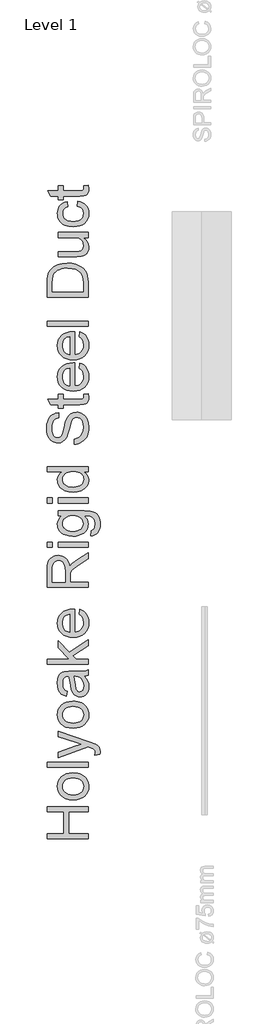
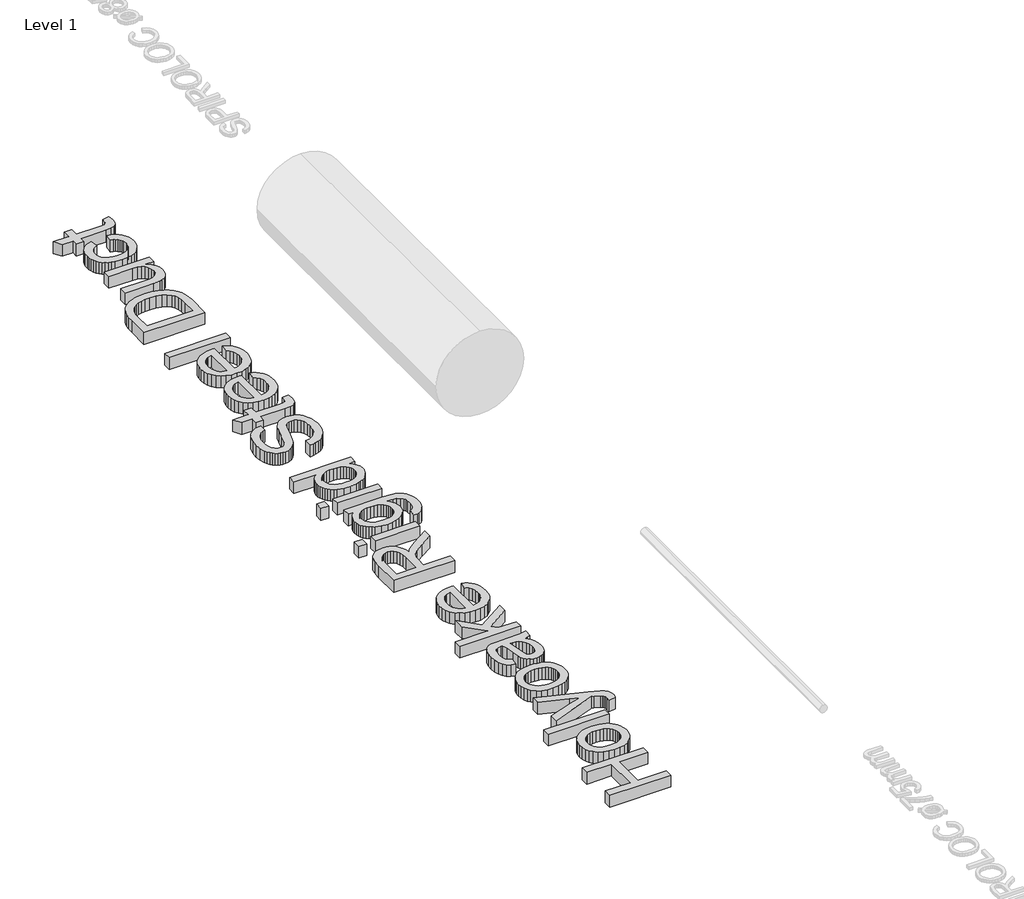
# One storey, part 3 of 19: 1 proxy.
"""IFC4 building model written with IfcOpenShell, lengths in millimetres."""

from ifc_helpers import new_model, si_unit, origin, origin_with_axes, place, context, project, spatial, polyline, outline, extrude, element, save

model = new_model("IFC4")

# Units and contexts
model_context = context("Model", 3, world=origin())
ifc_project = project(units=[si_unit("LENGTHUNIT", "METRE", prefix="MILLI")], contexts=[model_context])

# Site, building, storey
site = spatial("IfcSite", under=ifc_project)
building = spatial("IfcBuilding", under=site)
storey = spatial("IfcBuildingStorey", under=building, Name="Level 1", Elevation=0.0)

# Proxy
placement = place(None, origin())
element("IfcBuildingElementProxy", 1, Name="600mm", ObjectType="600mm", at=placement, inside=storey, context=model_context, shape_type="SweptSolid", body=[
    extrude(outline(polyline([(-1094.1692416, 1867.8141205), (-1684.9384723, 1867.8141205), (-1684.9384723, 1941.6602743), (-1444.9384723, 1941.6602743), (-1444.9384723, 2255.5064282), (-1684.9384723, 2255.5064282), (-1684.9384723, 2329.352582), (-1094.1692416, 2329.352582), (-1094.1692416, 2255.5064282), (-1371.0923185, 2255.5064282), (-1371.0923185, 1941.6602743), (-1094.1692416, 1941.6602743), (-1094.1692416, 1867.8141205)])), origin_with_axes(), (0.0, 0.0, 1.0), 120.0),
    extrude(outline(polyline([(-1311.0923185, 2430.8910436), (-1367.2792175, 2434.884433), (-1415.6956839, 2446.8646013), (-1456.3417175, 2466.8315484), (-1489.2173185, 2494.7852743), (-1510.2299387, 2522.9283032), (-1525.2389531, 2553.9920051), (-1534.2443618, 2587.9763801), (-1537.2461646, 2624.8814282), (-1533.5908161, 2665.6221133), (-1522.6247704, 2702.4595532), (-1504.3480276, 2735.3937479), (-1478.7605877, 2764.4246974), (-1446.7278353, 2788.1191085), (-1409.115155, 2805.0436878), (-1365.9225469, 2815.1984354), (-1317.1500108, 2818.5833513), (-1277.6217656, 2817.086957), (-1242.5466454, 2812.5977743), (-1211.9246502, 2805.1158032), (-1185.75578, 2794.6410436), (-1163.1521142, 2781.3042046), (-1143.2257319, 2765.2359955), (-1125.9766334, 2746.4364162), (-1111.4048185, 2724.9054666), (-1099.825792, 2701.4814883), (-1091.5550589, 2677.0028224), (-1086.592619, 2651.469469), (-1084.9384723, 2624.8814282), (-1088.5802993, 2583.5457912), (-1099.50578, 2546.3658032), (-1117.7149146, 2513.3414642), (-1143.2077031, 2484.4727743), (-1175.5514531, 2461.0307671), (-1214.3134723, 2444.2864763), (-1259.4937608, 2434.2399017), (-1311.0923185, 2430.8910436)]), holes=[polyline([(-1311.2365493, 2504.7371974), (-1275.4177392, 2506.8736157), (-1244.4036166, 2513.2828705), (-1218.1941815, 2523.9649618), (-1196.7894339, 2538.9198897), (-1180.1623305, 2557.1109955), (-1168.2858281, 2577.5016205), (-1161.1599267, 2600.0917647), (-1158.7846262, 2624.8814282), (-1161.1734483, 2649.5448897), (-1168.3399146, 2672.0448897), (-1180.2840252, 2692.3814282), (-1197.00578, 2710.5545051), (-1218.6223666, 2725.509433), (-1245.2509723, 2736.1915243), (-1276.8915973, 2742.6007791), (-1313.5442416, 2744.7371974), (-1348.2272344, 2742.5872575), (-1378.4300589, 2736.1374378), (-1404.1527151, 2725.3877383), (-1425.3952031, 2710.3381589), (-1442.0223065, 2692.0974739), (-1453.8988089, 2671.774457), (-1461.0247103, 2649.3691085), (-1463.4000108, 2624.8814282), (-1461.0337247, 2600.0917647), (-1453.9348666, 2577.5016205), (-1442.1034363, 2557.1109955), (-1425.5394339, 2538.9198897), (-1404.1977872, 2523.9649618), (-1378.0334243, 2513.2828705), (-1347.0463449, 2506.8736157), (-1311.2365493, 2504.7371974)])]), origin_with_axes(), (0.0, 0.0, 1.0), 120.0),
    extrude(outline(polyline([(-1094.1692416, 2901.6602743), (-1684.9384723, 2901.6602743), (-1684.9384723, 2975.5064282), (-1094.1692416, 2975.5064282), (-1094.1692416, 2901.6602743)])), origin_with_axes(), (0.0, 0.0, 1.0), 120.0),
    extrude(outline(polyline([(-928.0153954, 3086.2756589), (-999.1211646, 3077.0448897), (-992.63078, 3114.5448897), (-994.6680396, 3134.2684474), (-1000.7798185, 3149.5929666), (-1010.5334243, 3161.5280628), (-1023.4961646, 3171.0833513), (-1077.8711646, 3191.2756589), (-1095.75578, 3197.0448897), (-1528.0153954, 3040.1218128), (-1528.0153954, 3118.0064282), (-1287.1500108, 3201.227582), (-1190.8038569, 3230.2179666), (-1275.9000108, 3259.2083513), (-1528.0153954, 3344.7371974), (-1528.0153954, 3422.0448897), (-1083.7846262, 3271.0352743), (-987.4384723, 3231.8045051), (-956.6812608, 3211.7203705), (-935.3711646, 3188.9679666), (-922.9312608, 3162.5376782), (-918.7846262, 3131.4198897), (-921.0923185, 3110.0376782), (-928.0153954, 3086.2756589)])), origin_with_axes(), (0.0, 0.0, 1.0), 120.0),
    extrude(outline(polyline([(-1311.0923185, 3464.7371974), (-1367.2792175, 3468.7305868), (-1415.6956839, 3480.7107551), (-1456.3417175, 3500.6777022), (-1489.2173185, 3528.6314282), (-1510.2299387, 3556.774457), (-1525.2389531, 3587.8381589), (-1534.2443618, 3621.8225339), (-1537.2461646, 3658.727582), (-1533.5908161, 3699.4682671), (-1522.6247704, 3736.305707), (-1504.3480276, 3769.2399017), (-1478.7605877, 3798.2708513), (-1446.7278353, 3821.9652623), (-1409.115155, 3838.8898416), (-1365.9225469, 3849.0445892), (-1317.1500108, 3852.4295051), (-1277.6217656, 3850.9331109), (-1242.5466454, 3846.4439282), (-1211.9246502, 3838.961957), (-1185.75578, 3828.4871974), (-1163.1521142, 3815.1503585), (-1143.2257319, 3799.0821493), (-1125.9766334, 3780.28257), (-1111.4048185, 3758.7516205), (-1099.825792, 3735.3276421), (-1091.5550589, 3710.8489763), (-1086.592619, 3685.3156229), (-1084.9384723, 3658.727582), (-1088.5802993, 3617.391945), (-1099.50578, 3580.211957), (-1117.7149146, 3547.1876181), (-1143.2077031, 3518.3189282), (-1175.5514531, 3494.876921), (-1214.3134723, 3478.1326301), (-1259.4937608, 3468.0860556), (-1311.0923185, 3464.7371974)]), holes=[polyline([(-1311.2365493, 3538.5833513), (-1275.4177392, 3540.7197695), (-1244.4036166, 3547.1290243), (-1218.1941815, 3557.8111157), (-1196.7894339, 3572.7660436), (-1180.1623305, 3590.9571493), (-1168.2858281, 3611.3477743), (-1161.1599267, 3633.9379186), (-1158.7846262, 3658.727582), (-1161.1734483, 3683.3910436), (-1168.3399146, 3705.8910436), (-1180.2840252, 3726.227582), (-1197.00578, 3744.4006589), (-1218.6223666, 3759.3555868), (-1245.2509723, 3770.0376782), (-1276.8915973, 3776.446933), (-1313.5442416, 3778.5833513), (-1348.2272344, 3776.4334114), (-1378.4300589, 3769.9835916), (-1404.1527151, 3759.2338921), (-1425.3952031, 3744.1843128), (-1442.0223065, 3725.9436277), (-1453.8988089, 3705.6206109), (-1461.0247103, 3683.2152623), (-1463.4000108, 3658.727582), (-1461.0337247, 3633.9379186), (-1453.9348666, 3611.3477743), (-1442.1034363, 3590.9571493), (-1425.5394339, 3572.7660436), (-1404.1977872, 3557.8111157), (-1378.0334243, 3547.1290243), (-1347.0463449, 3540.7197695), (-1311.2365493, 3538.5833513)])]), origin_with_axes(), (0.0, 0.0, 1.0), 120.0),
    extrude(outline(polyline([(-1149.5538569, 4212.4295051), (-1119.3014531, 4177.1470532), (-1099.50578, 4140.8189282), (-1088.5802993, 4102.6158032), (-1084.9384723, 4061.7083513), (-1087.1289771, 4028.8282431), (-1093.7004916, 3999.9956109), (-1104.6530156, 3975.2104546), (-1119.9865493, 3954.4727743), (-1138.7275348, 3938.0980748), (-1159.9024146, 3926.4018609), (-1183.5111887, 3919.3841325), (-1209.5538569, 3917.0448897), (-1240.1668377, 3920.5785436), (-1267.9673185, 3931.1795051), (-1291.7653954, 3947.5316686), (-1310.3711646, 3968.3189282), (-1324.4336646, 3992.7480147), (-1334.6019339, 4020.0256589), (-1345.7077031, 4083.9198897), (-1357.3903954, 4159.4246974), (-1371.0923185, 4211.9968128), (-1387.5346262, 4212.4295051), (-1420.4913569, 4207.3453705), (-1432.6968858, 4200.9902022), (-1442.0538569, 4192.0929666), (-1451.3927993, 4176.7143609), (-1458.0634723, 4157.9823897), (-1463.4000108, 4110.4583513), (-1459.8483281, 4066.4679666), (-1449.19328, 4035.7468128), (-1429.4877512, 4014.7972936), (-1398.7846262, 4000.1218128), (-1408.0153954, 3926.2756589), (-1448.4000108, 3939.0941686), (-1480.13078, 3958.2227743), (-1504.3976069, 3985.446332), (-1522.3903954, 4022.5496974), (-1533.5322223, 4067.9283032), (-1537.2461646, 4119.977582), (-1533.9649146, 4169.899457), (-1524.1211646, 4209.4727743), (-1509.3194819, 4239.3105147), (-1491.1644339, 4260.0256589), (-1468.7185204, 4273.7636397), (-1441.0442416, 4282.6698897), (-1376.4288569, 4286.2756589), (-1284.5538569, 4286.2756589), (-1156.2605877, 4290.0256589), (-1124.5478473, 4295.5785436), (-1094.1692416, 4304.7371974), (-1094.1692416, 4230.8910436), (-1119.8423185, 4219.0641205), (-1149.5538569, 4212.4295051)]), holes=[polyline([(-1297.2461646, 4212.4295051), (-1284.9504916, 4162.8141205), (-1274.6019339, 4093.2948897), (-1262.63078, 4029.7612359), (-1254.4456839, 4013.2287839), (-1243.1596262, 4000.9871974), (-1229.6379916, 3993.415082), (-1214.7461646, 3990.8910436), (-1192.78703, 3996.3898416), (-1174.7942416, 4012.8862359), (-1162.78703, 4040.0196493), (-1158.7846262, 4077.4295051), (-1163.2016935, 4117.0929666), (-1176.4528954, 4152.1410436), (-1195.9781358, 4180.5545051), (-1219.2173185, 4200.3141205), (-1243.1596262, 4209.0761397), (-1276.3327031, 4211.9968128), (-1297.2461646, 4212.4295051)])]), origin_with_axes(), (0.0, 0.0, 1.0), 120.0),
    extrude(outline(polyline([(-1094.1692416, 4387.8141205), (-1684.9384723, 4387.8141205), (-1684.9384723, 4461.6602743), (-1367.4865493, 4461.6602743), (-1528.0153954, 4627.2371974), (-1528.0153954, 4729.352582), (-1365.4673185, 4561.7564282), (-1094.1692416, 4738.5833513), (-1094.1692416, 4652.3333513), (-1314.1211646, 4508.8237359), (-1268.4000108, 4461.6602743), (-1094.1692416, 4461.6602743), (-1094.1692416, 4387.8141205)])), origin_with_axes(), (0.0, 0.0, 1.0), 120.0),
    extrude(outline(polyline([(-1223.4000108, 5106.9487359), (-1214.1692416, 5179.352582), (-1185.1698425, 5168.25132), (-1159.6139531, 5153.2648416), (-1137.5015733, 5134.3931469), (-1118.8327031, 5111.6362359), (-1104.0039771, 5085.2284835), (-1093.41203, 5055.4042647), (-1087.0568618, 5022.1635796), (-1084.9384723, 4985.5064282), (-1088.5938209, 4939.6861157), (-1099.5598666, 4898.8597936), (-1117.8366094, 4863.0274618), (-1143.4240493, 4832.1891205), (-1175.6100469, 4807.3904426), (-1213.6824627, 4789.6771013), (-1257.6412969, 4779.0490964), (-1307.4865493, 4775.5064282), (-1359.022006, 4779.0851541), (-1404.4456839, 4789.821332), (-1443.7575829, 4807.7149618), (-1476.9577031, 4832.7660436), (-1503.333905, 4863.5232551), (-1522.1740493, 4898.5352743), (-1533.4781358, 4937.8021013), (-1537.2461646, 4981.3237359), (-1533.4871502, 5023.4436277), (-1522.2101069, 5061.5340724), (-1503.4150348, 5095.59507), (-1477.1019339, 5125.6266205), (-1443.9739291, 5150.141344), (-1404.7341454, 5167.6518609), (-1359.3825829, 5178.158171), (-1307.9192416, 5181.6602743), (-1288.0153954, 5181.227582), (-1288.0153954, 4849.352582), (-1258.5472464, 4853.6299258), (-1232.7389531, 4862.1350339), (-1210.5905156, 4874.8679065), (-1192.1019339, 4891.8285436), (-1177.5256118, 4912.079445), (-1167.1139531, 4934.6831109), (-1160.8669579, 4959.6395412), (-1158.7846262, 4986.9487359), (-1162.6427993, 5026.2516205), (-1174.2173185, 5059.352582), (-1194.2293377, 5086.2516205), (-1223.4000108, 5106.9487359)]), holes=[polyline([(-1361.8615493, 4849.352582), (-1361.8615493, 5107.8141205), (-1400.8759723, 5097.8261397), (-1416.2185204, 5089.2353945), (-1428.7846262, 5078.2468128), (-1443.9288569, 5058.1085916), (-1454.7461646, 5035.1939282), (-1461.2365493, 5009.5028224), (-1463.4000108, 4981.0352743), (-1461.6737488, 4955.0692287), (-1456.4949627, 4931.2576301), (-1447.8636526, 4909.6004787), (-1435.7798185, 4890.0977743), (-1420.8023545, 4873.7320892), (-1403.490155, 4861.4859955), (-1383.8432199, 4853.3594931), (-1361.8615493, 4849.352582)])]), origin_with_axes(), (0.0, 0.0, 1.0), 120.0),
    extrude(outline(polyline([(-1094.1692416, 5495.5064282), (-1684.9384723, 5495.5064282), (-1684.9384723, 5750.0737359), (-1680.9540973, 5818.493207), (-1669.0009723, 5868.2708513), (-1659.4997704, 5887.4805868), (-1646.9336646, 5904.6530628), (-1631.302655, 5919.7882791), (-1612.6067416, 5932.8862359), (-1591.8510324, 5943.4556469), (-1570.0406358, 5951.0052263), (-1523.25578, 5957.0448897), (-1492.9132319, 5954.5433873), (-1465.0586646, 5947.0388801), (-1439.6920781, 5934.5313681), (-1416.8134723, 5917.0208513), (-1397.1530156, 5894.281969), (-1381.4408762, 5866.0893609), (-1369.6770541, 5832.4430267), (-1361.8615493, 5793.3429666), (-1345.9601069, 5817.6819089), (-1330.2750108, 5835.3141205), (-1254.2653954, 5895.1698897), (-1094.1692416, 5993.6795051), (-1094.1692416, 5907.8621974), (-1216.6211646, 5830.9871974), (-1297.6788569, 5775.4583513), (-1321.3146743, 5754.8153224), (-1335.9721262, 5736.4439282), (-1350.0346262, 5701.3237359), (-1352.63078, 5658.4871974), (-1352.63078, 5569.352582), (-1094.1692416, 5569.352582), (-1094.1692416, 5495.5064282)]), holes=[polyline([(-1426.4769339, 5569.352582), (-1426.4769339, 5734.6410436), (-1429.0911166, 5782.1109955), (-1436.9336646, 5818.9439282), (-1450.5274146, 5846.6722936), (-1470.3952031, 5866.8285436), (-1494.427655, 5879.1061878), (-1520.5153954, 5883.1987359), (-1539.4006118, 5881.2471133), (-1556.53703, 5875.3922455), (-1571.9246502, 5865.6341325), (-1585.5634723, 5851.9727743), (-1596.7323425, 5834.0926662), (-1604.7101069, 5811.6783032), (-1609.4967656, 5784.7296854), (-1611.0923185, 5753.2468128), (-1611.0923185, 5569.352582), (-1426.4769339, 5569.352582)])]), origin_with_axes(), (0.0, 0.0, 1.0), 120.0),
    extrude(outline(polyline([(-1094.1692416, 6077.0448897), (-1528.0153954, 6077.0448897), (-1528.0153954, 6150.8910436), (-1094.1692416, 6150.8910436), (-1094.1692416, 6077.0448897)])), origin_with_axes(), (0.0, 0.0, 1.0), 120.0),
    extrude(outline(polyline([(-1611.0923185, 6077.0448897), (-1684.9384723, 6077.0448897), (-1684.9384723, 6150.8910436), (-1611.0923185, 6150.8910436), (-1611.0923185, 6077.0448897)])), origin_with_axes(), (0.0, 0.0, 1.0), 120.0),
    extrude(outline(polyline([(-1057.2461646, 6243.1987359), (-1048.0153954, 6317.0448897), (-1024.9384723, 6325.1939282), (-1009.0730877, 6340.9871974), (-996.7413569, 6372.0328705), (-992.63078, 6412.6698897), (-997.2822223, 6456.0112359), (-1003.0965252, 6473.5172455), (-1011.2365493, 6488.2468128), (-1033.5923185, 6510.602582), (-1063.4480877, 6524.3045051), (-1095.2149146, 6528.3069089), (-1149.5538569, 6529.352582), (-1125.3230877, 6504.7792647), (-1108.0153954, 6477.3573897), (-1097.63078, 6447.086957), (-1094.1692416, 6413.9679666), (-1098.1986887, 6373.4796854), (-1110.28703, 6337.8321493), (-1130.4342656, 6307.0253585), (-1158.6403954, 6281.0593128), (-1192.4805396, 6260.4568489), (-1229.5298185, 6245.7408032), (-1269.7882319, 6236.9111758), (-1313.25578, 6233.9679666), (-1372.8771743, 6239.2504186), (-1427.7028954, 6255.0977743), (-1452.4249507, 6266.8435676), (-1474.1632319, 6280.9511397), (-1492.9177392, 6297.4204907), (-1508.6884723, 6316.2516205), (-1521.1824627, 6337.142546), (-1530.1067416, 6359.7912839), (-1535.4613089, 6384.1978344), (-1537.2461646, 6410.3621974), (-1533.2077031, 6444.8964522), (-1521.0923185, 6476.2396013), (-1500.9000108, 6504.3916445), (-1472.63078, 6529.352582), (-1528.0153954, 6529.352582), (-1528.0153954, 6603.1987359), (-1153.4480877, 6603.1987359), (-1066.9637127, 6598.1506589), (-1034.795744, 6591.8405628), (-1010.0105877, 6583.0064282), (-990.0211045, 6571.4364162), (-972.240155, 6556.9186878), (-956.6677392, 6539.4532431), (-943.3038569, 6519.040082), (-932.5766935, 6495.8865364), (-924.9144339, 6470.1999378), (-920.3170781, 6441.9802864), (-918.7846262, 6411.227582), (-920.9435805, 6375.048195), (-927.4204435, 6342.5196493), (-938.2152151, 6313.641945), (-953.3278954, 6288.415082), (-972.7765132, 6268.0379787), (-996.5790973, 6253.7095532), (-1024.7356478, 6245.4298056), (-1057.2461646, 6243.1987359)]), holes=[polyline([(-1318.3038569, 6307.8141205), (-1281.7909363, 6309.7837719), (-1250.5694819, 6315.6927263), (-1224.639494, 6325.5409835), (-1204.0009723, 6339.3285436), (-1188.2572824, 6356.0908633), (-1177.0117896, 6374.8633993), (-1170.264494, 6395.6461517), (-1168.0153954, 6418.4391205), (-1170.2509723, 6441.0067287), (-1176.9577031, 6461.6903224), (-1188.1355877, 6480.4899017), (-1203.7846262, 6497.4054666), (-1224.2203233, 6511.3823296), (-1249.7581839, 6521.3658032), (-1280.3982079, 6527.3558873), (-1316.1403954, 6529.352582), (-1350.3906959, 6527.2972936), (-1380.1608281, 6521.1314282), (-1405.450792, 6510.8549859), (-1426.2605877, 6496.4679666), (-1442.5090853, 6479.1873176), (-1454.115155, 6460.2299859), (-1461.0787969, 6439.5959714), (-1463.4000108, 6417.2852743), (-1461.1148545, 6395.3486758), (-1454.2593858, 6375.1158032), (-1442.8336045, 6356.5866565), (-1426.8375108, 6339.7612359), (-1406.3432199, 6325.7843729), (-1381.4228473, 6315.8008993), (-1352.076393, 6309.8108152), (-1318.3038569, 6307.8141205)])]), origin_with_axes(), (0.0, 0.0, 1.0), 120.0),
    extrude(outline(polyline([(-1094.1692416, 6713.9679666), (-1528.0153954, 6713.9679666), (-1528.0153954, 6787.8141205), (-1094.1692416, 6787.8141205), (-1094.1692416, 6713.9679666)])), origin_with_axes(), (0.0, 0.0, 1.0), 120.0),
    extrude(outline(polyline([(-1611.0923185, 6713.9679666), (-1684.9384723, 6713.9679666), (-1684.9384723, 6787.8141205), (-1611.0923185, 6787.8141205), (-1611.0923185, 6713.9679666)])), origin_with_axes(), (0.0, 0.0, 1.0), 120.0),
    extrude(outline(polyline([(-1094.1692416, 7166.2756589), (-1163.8327031, 7166.2756589), (-1129.3164771, 7144.181308), (-1104.66203, 7117.4174859), (-1089.8693618, 7085.9841926), (-1084.9384723, 7049.8814282), (-1086.7233281, 7025.5064282), (-1092.0778954, 7002.1410436), (-1101.0021743, 6979.7852743), (-1113.4961646, 6958.4391205), (-1129.185768, 6938.7696493), (-1147.6968858, 6921.4439282), (-1169.029518, 6906.461957), (-1193.1836646, 6893.8237359), (-1219.6995901, 6883.790683), (-1248.1175589, 6876.6242166), (-1310.6596262, 6870.8910436), (-1372.4264531, 6876.1734955), (-1428.2077031, 6892.0208513), (-1453.0604675, 6903.9018609), (-1474.8302993, 6918.415082), (-1493.5171983, 6935.5605147), (-1509.1211646, 6955.3381589), (-1521.4258521, 6977.0493969), (-1530.2149146, 6999.9956109), (-1535.4883521, 7024.1768008), (-1537.2461646, 7049.5929666), (-1532.2161166, 7085.7227743), (-1517.1259723, 7117.6698897), (-1493.9949627, 7144.7492166), (-1464.8423185, 7166.2756589), (-1684.9384723, 7166.2756589), (-1684.9384723, 7240.1218128), (-1094.1692416, 7240.1218128), (-1094.1692416, 7166.2756589)]), holes=[polyline([(-1310.9480877, 6944.7371974), (-1275.138292, 6946.8195291), (-1244.1512127, 6953.0665243), (-1217.9868497, 6963.478183), (-1196.6452031, 6978.0545051), (-1180.0812007, 6995.4613561), (-1168.2497704, 7014.3646013), (-1161.1509122, 7034.7642407), (-1158.7846262, 7056.6602743), (-1161.0427392, 7078.6599739), (-1167.8170781, 7098.9379186), (-1179.107643, 7117.4941085), (-1194.9144339, 7134.3285436), (-1215.3636526, 7148.3054065), (-1240.5815012, 7158.2888801), (-1270.5679795, 7164.2789642), (-1305.3230877, 7166.2756589), (-1343.4270541, 7164.2429065), (-1376.1043377, 7158.1446493), (-1403.3549387, 7147.9808873), (-1425.1788569, 7133.7516205), (-1441.9006118, 7116.547594), (-1453.8447223, 7097.4595532), (-1461.0111887, 7076.4874979), (-1463.4000108, 7053.6314282), (-1461.1058401, 7031.3027022), (-1454.2233281, 7010.9030628), (-1442.7524747, 6992.4325099), (-1426.69328, 6975.8910436), (-1405.6941815, 6962.2612359), (-1379.4036166, 6952.5256589), (-1347.8215853, 6946.6843128), (-1310.9480877, 6944.7371974)])]), origin_with_axes(), (0.0, 0.0, 1.0), 120.0),
    extrude(outline(polyline([(-1297.2461646, 7563.1987359), (-1297.2461646, 7637.0448897), (-1256.2665973, 7645.5184474), (-1223.3278954, 7660.8429666), (-1197.1860685, 7684.7492166), (-1176.5971262, 7718.9679666), (-1163.2377512, 7760.7948897), (-1158.7846262, 7807.5256589), (-1162.1560204, 7848.6674859), (-1172.2702031, 7884.6891205), (-1188.2798185, 7913.8778224), (-1209.3375108, 7934.5208513), (-1233.5141935, 7946.7984955), (-1258.88078, 7950.8910436), (-1283.5983281, 7947.8261397), (-1304.9625108, 7938.6314282), (-1323.1896743, 7919.9535436), (-1338.4961646, 7888.4391205), (-1366.69328, 7780.915082), (-1385.3531358, 7710.3321493), (-1403.1115493, 7665.1698897), (-1427.9552993, 7628.4090724), (-1458.0634723, 7602.3573897), (-1492.78703, 7586.8345532), (-1531.4769339, 7581.6602743), (-1553.467619, 7583.2603344), (-1574.7281358, 7588.0605147), (-1595.2584844, 7596.0608152), (-1615.0586646, 7607.2612359), (-1633.3218858, 7621.5355748), (-1649.2413569, 7638.7576301), (-1662.8170781, 7658.9274017), (-1674.0490493, 7682.0448897), (-1689.1391935, 7734.0040243), (-1694.1692416, 7791.5160436), (-1688.9048185, 7853.8237359), (-1673.1115493, 7908.3429666), (-1661.3477271, 7932.1951301), (-1647.1139531, 7953.1266205), (-1630.4102271, 7971.1374378), (-1611.2365493, 7986.227582), (-1590.1518137, 7998.2798657), (-1567.7149146, 8007.1771013), (-1543.9258521, 8012.9192888), (-1518.7846262, 8015.5064282), (-1518.7846262, 7941.6602743), (-1542.3483281, 7936.7203705), (-1562.8471262, 7928.102582), (-1580.2810204, 7915.8069089), (-1594.6500108, 7899.8333513), (-1605.8819819, 7879.884433), (-1613.9048185, 7855.6626782), (-1618.7185204, 7827.1680868), (-1620.3230877, 7794.4006589), (-1618.7365493, 7760.587558), (-1613.9769339, 7731.696332), (-1606.0442416, 7707.7269811), (-1594.9384723, 7688.6795051), (-1581.5881118, 7674.1662839), (-1566.9216454, 7663.7996974), (-1550.9390733, 7657.5797455), (-1533.6403954, 7655.5064282), (-1505.2629916, 7661.383832), (-1482.4384723, 7679.0160436), (-1472.2882319, 7695.2059474), (-1462.0298185, 7720.6987359), (-1441.1884723, 7799.5929666), (-1421.3927993, 7881.0112359), (-1404.1211646, 7930.2660436), (-1377.3302993, 7972.3633993), (-1361.5821021, 7988.6389402), (-1344.2653954, 8001.7323897), (-1325.4703233, 8011.7969931), (-1305.28703, 8018.9859955), (-1260.75578, 8024.7371974), (-1237.6563209, 8023.0830508), (-1215.2329435, 8018.1206109), (-1193.4856478, 8009.8498777), (-1172.4144339, 7998.2708513), (-1152.8351069, 7983.5863561), (-1135.5634723, 7965.9992166), (-1120.59953, 7945.509433), (-1107.94328, 7922.1170051), (-1097.8786767, 7896.5025219), (-1090.6896743, 7869.3465724), (-1084.9384723, 7810.4102743), (-1086.4889531, 7772.6353344), (-1091.1403954, 7738.0605147), (-1098.8927993, 7706.6858152), (-1109.7461646, 7678.5112359), (-1123.7185204, 7653.3655027), (-1140.8278954, 7631.0773416), (-1161.0742896, 7611.6467527), (-1184.4577031, 7595.0737359), (-1210.2209243, 7581.7233753), (-1237.6067416, 7571.9607551), (-1266.615155, 7565.7858753), (-1297.2461646, 7563.1987359)])), origin_with_axes(), (0.0, 0.0, 1.0), 120.0),
    extrude(outline(polyline([(-1155.75578, 8283.1987359), (-1092.00578, 8292.4295051), (-1084.9384723, 8237.1891205), (-1088.0033762, 8201.7444089), (-1097.1980877, 8175.3141205), (-1111.3687608, 8156.6362359), (-1129.3615493, 8144.4487359), (-1160.2629916, 8137.7420051), (-1213.1596262, 8135.5064282), (-1454.1692416, 8135.5064282), (-1454.1692416, 8080.1218128), (-1528.0153954, 8080.1218128), (-1528.0153954, 8135.5064282), (-1633.4480877, 8135.5064282), (-1676.8615493, 8209.352582), (-1528.0153954, 8209.352582), (-1528.0153954, 8283.1987359), (-1454.1692416, 8283.1987359), (-1454.1692416, 8209.352582), (-1215.3230877, 8209.352582), (-1177.2461646, 8213.2468128), (-1163.7605877, 8225.8670051), (-1160.0286166, 8236.5220532), (-1158.7846262, 8251.0352743), (-1155.75578, 8283.1987359)])), origin_with_axes(), (0.0, 0.0, 1.0), 120.0),
    extrude(outline(polyline([(-1223.4000108, 8660.7948897), (-1214.1692416, 8733.1987359), (-1185.1698425, 8722.0974739), (-1159.6139531, 8707.1109955), (-1137.5015733, 8688.2393008), (-1118.8327031, 8665.4823897), (-1104.0039771, 8639.0746373), (-1093.41203, 8609.2504186), (-1087.0568618, 8576.0097335), (-1084.9384723, 8539.352582), (-1088.5938209, 8493.5322695), (-1099.5598666, 8452.7059474), (-1117.8366094, 8416.8736157), (-1143.4240493, 8386.0352743), (-1175.6100469, 8361.2365964), (-1213.6824627, 8343.5232551), (-1257.6412969, 8332.8952503), (-1307.4865493, 8329.352582), (-1359.022006, 8332.931308), (-1404.4456839, 8343.6674859), (-1443.7575829, 8361.5611157), (-1476.9577031, 8386.6121974), (-1503.333905, 8417.3694089), (-1522.1740493, 8452.3814282), (-1533.4781358, 8491.6482551), (-1537.2461646, 8535.1698897), (-1533.4871502, 8577.2897815), (-1522.2101069, 8615.3802263), (-1503.4150348, 8649.4412239), (-1477.1019339, 8679.4727743), (-1443.9739291, 8703.9874979), (-1404.7341454, 8721.4980147), (-1359.3825829, 8732.0043248), (-1307.9192416, 8735.5064282), (-1288.0153954, 8735.0737359), (-1288.0153954, 8403.1987359), (-1258.5472464, 8407.4760796), (-1232.7389531, 8415.9811878), (-1210.5905156, 8428.7140604), (-1192.1019339, 8445.6746974), (-1177.5256118, 8465.9255989), (-1167.1139531, 8488.5292647), (-1160.8669579, 8513.485695), (-1158.7846262, 8540.7948897), (-1162.6427993, 8580.0977743), (-1174.2173185, 8613.1987359), (-1194.2293377, 8640.0977743), (-1223.4000108, 8660.7948897)]), holes=[polyline([(-1361.8615493, 8403.1987359), (-1361.8615493, 8661.6602743), (-1400.8759723, 8651.6722936), (-1416.2185204, 8643.0815484), (-1428.7846262, 8632.0929666), (-1443.9288569, 8611.9547455), (-1454.7461646, 8589.040082), (-1461.2365493, 8563.3489763), (-1463.4000108, 8534.8814282), (-1461.6737488, 8508.9153825), (-1456.4949627, 8485.1037839), (-1447.8636526, 8463.4466325), (-1435.7798185, 8443.9439282), (-1420.8023545, 8427.5782431), (-1403.490155, 8415.3321493), (-1383.8432199, 8407.2056469), (-1361.8615493, 8403.1987359)])]), origin_with_axes(), (0.0, 0.0, 1.0), 120.0),
    extrude(outline(polyline([(-1223.4000108, 9113.102582), (-1214.1692416, 9185.5064282), (-1185.1698425, 9174.4051662), (-1159.6139531, 9159.4186878), (-1137.5015733, 9140.5469931), (-1118.8327031, 9117.790082), (-1104.0039771, 9091.3823296), (-1093.41203, 9061.5581109), (-1087.0568618, 9028.3174258), (-1084.9384723, 8991.6602743), (-1088.5938209, 8945.8399618), (-1099.5598666, 8905.0136397), (-1117.8366094, 8869.181308), (-1143.4240493, 8838.3429666), (-1175.6100469, 8813.5442888), (-1213.6824627, 8795.8309474), (-1257.6412969, 8785.2029426), (-1307.4865493, 8781.6602743), (-1359.022006, 8785.2390003), (-1404.4456839, 8795.9751782), (-1443.7575829, 8813.868808), (-1476.9577031, 8838.9198897), (-1503.333905, 8869.6771013), (-1522.1740493, 8904.6891205), (-1533.4781358, 8943.9559474), (-1537.2461646, 8987.477582), (-1533.4871502, 9029.5974739), (-1522.2101069, 9067.6879186), (-1503.4150348, 9101.7489162), (-1477.1019339, 9131.7804666), (-1443.9739291, 9156.2951902), (-1404.7341454, 9173.805707), (-1359.3825829, 9184.3120171), (-1307.9192416, 9187.8141205), (-1288.0153954, 9187.3814282), (-1288.0153954, 8855.5064282), (-1258.5472464, 8859.7837719), (-1232.7389531, 8868.2888801), (-1210.5905156, 8881.0217527), (-1192.1019339, 8897.9823897), (-1177.5256118, 8918.2332912), (-1167.1139531, 8940.836957), (-1160.8669579, 8965.7933873), (-1158.7846262, 8993.102582), (-1162.6427993, 9032.4054666), (-1174.2173185, 9065.5064282), (-1194.2293377, 9092.4054666), (-1223.4000108, 9113.102582)]), holes=[polyline([(-1361.8615493, 8855.5064282), (-1361.8615493, 9113.9679666), (-1400.8759723, 9103.9799859), (-1416.2185204, 9095.3892407), (-1428.7846262, 9084.4006589), (-1443.9288569, 9064.2624378), (-1454.7461646, 9041.3477743), (-1461.2365493, 9015.6566686), (-1463.4000108, 8987.1891205), (-1461.6737488, 8961.2230748), (-1456.4949627, 8937.4114763), (-1447.8636526, 8915.7543248), (-1435.7798185, 8896.2516205), (-1420.8023545, 8879.8859354), (-1403.490155, 8867.6398416), (-1383.8432199, 8859.5133392), (-1361.8615493, 8855.5064282)])]), origin_with_axes(), (0.0, 0.0, 1.0), 120.0),
    extrude(outline(polyline([(-1094.1692416, 9261.6602743), (-1684.9384723, 9261.6602743), (-1684.9384723, 9335.5064282), (-1094.1692416, 9335.5064282), (-1094.1692416, 9261.6602743)])), origin_with_axes(), (0.0, 0.0, 1.0), 120.0),
    extrude(outline(polyline([(-1094.1692416, 9686.2756589), (-1684.9384723, 9686.2756589), (-1684.9384723, 9890.0737359), (-1682.8110685, 9950.9751782), (-1676.4288569, 9995.5064282), (-1660.0226069, 10042.5977743), (-1634.1692416, 10082.3333513), (-1613.0394339, 10104.2293849), (-1589.1692416, 10123.1867166), (-1562.5586646, 10139.2053464), (-1533.2077031, 10152.2852743), (-1501.3867896, 10162.4445291), (-1467.3663569, 10169.7011397), (-1392.7269339, 10175.5064282), (-1329.3194819, 10171.5761397), (-1273.5202031, 10159.7852743), (-1226.0141935, 10141.8285436), (-1187.4865493, 10119.4006589), (-1157.0718858, 10093.5833513), (-1133.9048185, 10065.4583513), (-1116.7233281, 10033.1686878), (-1104.2653954, 9994.8573897), (-1096.69328, 9950.4523416), (-1094.1692416, 9899.8814282), (-1094.1692416, 9686.2756589)]), holes=[polyline([(-1168.0153954, 9760.1218128), (-1168.0153954, 9890.7948897), (-1170.6836646, 9944.8453705), (-1178.6884723, 9985.8429666), (-1191.5610685, 10016.7804666), (-1208.8327031, 10040.6506589), (-1240.7978473, 10066.305707), (-1282.1740493, 10085.5785436), (-1333.1415973, 10097.6398416), (-1393.88078, 10101.6602743), (-1436.7533762, 10099.6906229), (-1474.3615493, 10093.7816686), (-1506.7052993, 10083.9334114), (-1533.7846262, 10070.1458513), (-1556.2125108, 10053.5367767), (-1574.6019339, 10035.2239763), (-1588.9528954, 10015.2074498), (-1599.2653954, 9993.4871974), (-1608.1355877, 9951.0112359), (-1611.0923185, 9888.7756589), (-1611.0923185, 9760.1218128), (-1168.0153954, 9760.1218128)])]), origin_with_axes(), (0.0, 0.0, 1.0), 120.0),
    extrude(outline(polyline([(-1094.1692416, 10544.7371974), (-1168.7365493, 10544.7371974), (-1132.0748906, 10518.0184474), (-1105.8879916, 10486.9006589), (-1090.1758521, 10451.383832), (-1084.9384723, 10411.4679666), (-1088.6163569, 10375.5004186), (-1099.6500108, 10342.0208513), (-1116.2365493, 10313.9319089), (-1136.5730877, 10294.1362359), (-1161.2726069, 10280.8129186), (-1190.9480877, 10272.1410436), (-1259.6019339, 10267.8141205), (-1528.0153954, 10267.8141205), (-1528.0153954, 10341.6602743), (-1294.3615493, 10341.6602743), (-1247.63078, 10342.7780628), (-1219.0730877, 10346.1314282), (-1193.958905, 10356.8946493), (-1174.8663569, 10375.3381589), (-1162.8050589, 10400.2359955), (-1158.7846262, 10430.3621974), (-1162.8952031, 10462.2191686), (-1175.2269339, 10492.0208513), (-1194.6440012, 10516.5941686), (-1220.0105877, 10532.7660436), (-1254.7521743, 10541.7444089), (-1302.2942416, 10544.7371974), (-1528.0153954, 10544.7371974), (-1528.0153954, 10618.5833513), (-1094.1692416, 10618.5833513), (-1094.1692416, 10544.7371974)])), origin_with_axes(), (0.0, 0.0, 1.0), 120.0),
    extrude(outline(polyline([(-1251.0923185, 10997.0448897), (-1241.8615493, 11070.8910436), (-1207.0162969, 11062.8591926), (-1176.1824627, 11050.3021013), (-1149.3600469, 11033.2197695), (-1126.5490493, 11011.6121974), (-1108.3444219, 10986.3898416), (-1095.3411166, 10958.4631589), (-1087.5391334, 10927.8321493), (-1084.9384723, 10894.4968128), (-1088.5667776, 10853.080046), (-1099.4516935, 10815.9451301), (-1117.5932199, 10783.0920652), (-1142.9913569, 10754.5208513), (-1175.1683401, 10731.3943489), (-1213.646405, 10714.8754186), (-1258.4255517, 10704.9640604), (-1309.50578, 10701.6602743), (-1375.2209243, 10707.3033032), (-1404.7927392, 10714.3570892), (-1432.1740493, 10724.2323897), (-1456.8149747, 10736.9968128), (-1478.1656358, 10752.7179666), (-1496.2260324, 10771.3958513), (-1510.9961646, 10793.0304666), (-1522.4805396, 10816.6437479), (-1530.6836646, 10841.2576301), (-1535.6055396, 10866.8721133), (-1537.2461646, 10893.4871974), (-1534.9925589, 10926.2501181), (-1528.2317416, 10955.8850339), (-1516.9637127, 10982.391945), (-1501.1884723, 11005.7708513), (-1481.2665973, 11025.6251181), (-1457.5586646, 11041.5581109), (-1430.0646743, 11053.5698296), (-1398.7846262, 11061.6602743), (-1389.5538569, 10987.8141205), (-1421.771405, 10974.4186878), (-1444.8663569, 10953.5593128), (-1458.7665973, 10926.3898416), (-1463.4000108, 10894.0641205), (-1461.1193618, 10868.9724739), (-1454.2774146, 10846.3417647), (-1442.8741694, 10826.1719931), (-1426.9096262, 10808.4631589), (-1406.0141935, 10794.0445892), (-1379.81828, 10783.7456109), (-1348.3218858, 10777.5662239), (-1311.5250108, 10775.5064282), (-1274.1737488, 10777.5211517), (-1242.3122704, 10783.5653224), (-1215.9405757, 10793.6389402), (-1195.0586646, 10807.7420051), (-1179.1887728, 10825.0992767), (-1167.8531358, 10844.9355147), (-1161.0517536, 10867.250719), (-1158.7846262, 10892.0448897), (-1164.4456839, 10930.2840724), (-1171.522006, 10946.8210315), (-1181.4288569, 10961.6362359), (-1194.2744098, 10974.3150219), (-1210.1668377, 10984.4427263), (-1229.1061406, 10992.0193489), (-1251.0923185, 10997.0448897)])), origin_with_axes(), (0.0, 0.0, 1.0), 120.0),
    extrude(outline(polyline([(-1155.75578, 11292.4295051), (-1092.00578, 11301.6602743), (-1084.9384723, 11246.4198897), (-1088.0033762, 11210.9751782), (-1097.1980877, 11184.5448897), (-1111.3687608, 11165.8670051), (-1129.3615493, 11153.6795051), (-1160.2629916, 11146.9727743), (-1213.1596262, 11144.7371974), (-1454.1692416, 11144.7371974), (-1454.1692416, 11089.352582), (-1528.0153954, 11089.352582), (-1528.0153954, 11144.7371974), (-1633.4480877, 11144.7371974), (-1676.8615493, 11218.5833513), (-1528.0153954, 11218.5833513), (-1528.0153954, 11292.4295051), (-1454.1692416, 11292.4295051), (-1454.1692416, 11218.5833513), (-1215.3230877, 11218.5833513), (-1177.2461646, 11222.477582), (-1163.7605877, 11235.0977743), (-1160.0286166, 11245.7528224), (-1158.7846262, 11260.2660436), (-1155.75578, 11292.4295051)])), origin_with_axes(), (0.0, 0.0, 1.0), 120.0),
])

save(model, "model.ifc")
